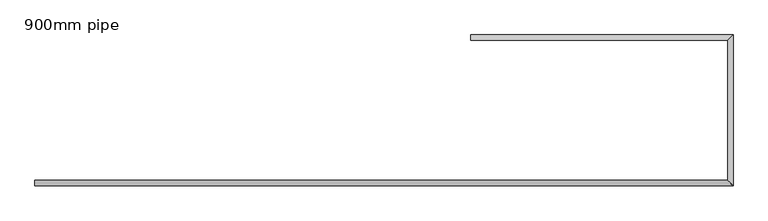
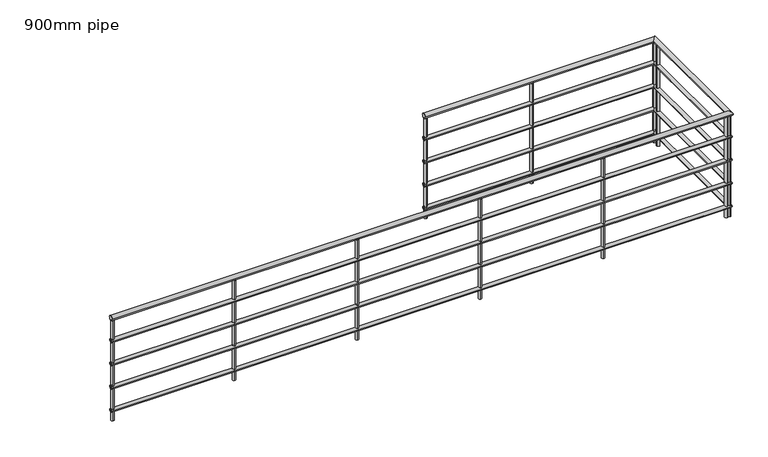
"""IFC4 building model written with IfcOpenShell, lengths in millimetres: railing geometry, 900mm pipe."""

from ifc_helpers import new_model, si_unit, point, frame, frame_2d, origin, origin_with_axes, place, context, project, spatial, circle_curve, ellipse_curve, trimmed, segment, composite_curve, outline, extrude, source, transform, mapped, element, save
from ifc_brep_helpers import plane_surface, cylinder_surface, advanced_brep


def railing_900mm_pipe_4d67e750(model_context):
    return source(origin(), model_context, "Body", "SolidModel", [
        advanced_brep(
        [(7214.840733, -2337.5565905, 880.0), (7214.840733, -2377.5565905, 880.0), (12219.840733, -2337.5565905, 880.0), (12259.840733, -2377.5565905, 880.0), (12219.840733, -1327.5565905, 880.0), (12259.840733, -1287.5565905, 880.0), (10364.840733, -1327.5565905, 880.0), (10364.840733, -1287.5565905, 880.0)],
        [
            (0, 1, circle_curve(frame((7214.840733, -2357.5565905, 880.0), z_axis=(-1.0, 0.0, 0.0), x_axis=(0.0, -1.0, 0.0)), 20.0)),
            (1, 0, circle_curve(frame((7214.840733, -2357.5565905, 880.0), z_axis=(-1.0, 0.0, 0.0), x_axis=(0.0, -1.0, 0.0)), 20.0)),
            (0, 2),
            (2, 3, ellipse_curve(frame((12239.840733, -2357.5565905, 880.0), z_axis=(-0.7071067811865498, -0.7071067811865451, 0.0), x_axis=(-0.7071067811865452, 0.7071067811865497, 0.0)), 28.2842712, 20.0)),
            (3, 1),
            (3, 2, ellipse_curve(frame((12239.840733, -2357.5565905, 880.0), z_axis=(-0.7071067811865498, -0.7071067811865451, 0.0), x_axis=(-0.7071067811865452, 0.7071067811865497, 0.0)), 28.2842712, 20.0)),
            (2, 4),
            (4, 5, ellipse_curve(frame((12239.840733, -1307.5565905, 880.0), z_axis=(0.7071067811865452, -0.7071067811865498, 0.0), x_axis=(-0.7071067811865498, -0.7071067811865452, 0.0)), 28.2842712, 20.0)),
            (5, 3),
            (5, 4, ellipse_curve(frame((12239.840733, -1307.5565905, 880.0), z_axis=(0.7071067811865452, -0.7071067811865498, 0.0), x_axis=(-0.7071067811865498, -0.7071067811865452, 0.0)), 28.2842712, 20.0)),
            (6, 7, circle_curve(frame((10364.840733, -1307.5565905, 880.0), z_axis=(-1.0, 0.0, 0.0), x_axis=(0.0, 1.0, 0.0)), 20.0)),
            (7, 6, circle_curve(frame((10364.840733, -1307.5565905, 880.0), z_axis=(-1.0, 0.0, 0.0), x_axis=(0.0, 1.0, 0.0)), 20.0)),
            (4, 6),
            (7, 5),
        ],
        [
            plane_surface(frame((7214.840733, -2357.5565905, 900.0), z_axis=(-1.0, 0.0, 0.0), x_axis=(0.0, 1.0, 0.0))),
            cylinder_surface(frame((7214.840733, -2357.5565905, 880.0), z_axis=(-1.0, 0.0, 0.0), x_axis=(0.0, -1.0, 0.0)), 20.0),
            cylinder_surface(frame((12239.840733, -2357.5565905, 880.0), z_axis=(0.0, -1.0, 0.0), x_axis=(1.0, 0.0, 0.0)), 20.0),
            plane_surface(frame((10364.840733, -1307.5565905, 900.0), z_axis=(-1.0, 0.0, 0.0), x_axis=(0.0, -1.0, 0.0))),
            cylinder_surface(frame((12239.840733, -1307.5565905, 880.0), z_axis=(1.0, 0.0, 0.0), x_axis=(0.0, 1.0, 0.0)), 20.0),
        ],
        [
            (0, [[1, 2]]),
            (1, [[-1, 3, 4, 5]]),
            (1, [[-2, -5, 6, -3]]),
            (2, [[-4, 7, 8, 9]]),
            (2, [[-6, -9, 10, -7]]),
            (3, [[11, 12]]),
            (4, [[-8, 13, -12, 14]]),
            (4, [[-10, -14, -11, -13]]),
        ],
    ),
        advanced_brep(
        [(7214.840733, -2342.5565905, 685.0), (7214.840733, -2372.5565905, 685.0), (12224.840733, -2342.5565905, 685.0), (12254.840733, -2372.5565905, 685.0), (12224.840733, -1322.5565905, 685.0), (12254.840733, -1292.5565905, 685.0), (10364.840733, -1322.5565905, 685.0), (10364.840733, -1292.5565905, 685.0)],
        [
            (0, 1, circle_curve(frame((7214.840733, -2357.5565905, 685.0), z_axis=(-1.0, 0.0, 0.0), x_axis=(0.0, -1.0, 0.0)), 15.0)),
            (1, 0, circle_curve(frame((7214.840733, -2357.5565905, 685.0), z_axis=(-1.0, 0.0, 0.0), x_axis=(0.0, -1.0, 0.0)), 15.0)),
            (0, 2),
            (2, 3, ellipse_curve(frame((12239.840733, -2357.5565905, 685.0), z_axis=(-0.7071067811865498, -0.7071067811865451, 0.0), x_axis=(-0.7071067811865452, 0.7071067811865497, 0.0)), 21.2132034, 15.0)),
            (3, 1),
            (3, 2, ellipse_curve(frame((12239.840733, -2357.5565905, 685.0), z_axis=(-0.7071067811865498, -0.7071067811865451, 0.0), x_axis=(-0.7071067811865452, 0.7071067811865497, 0.0)), 21.2132034, 15.0)),
            (2, 4),
            (4, 5, ellipse_curve(frame((12239.840733, -1307.5565905, 685.0), z_axis=(0.7071067811865452, -0.7071067811865498, 0.0), x_axis=(-0.7071067811865498, -0.7071067811865452, 0.0)), 21.2132034, 15.0)),
            (5, 3),
            (5, 4, ellipse_curve(frame((12239.840733, -1307.5565905, 685.0), z_axis=(0.7071067811865452, -0.7071067811865498, 0.0), x_axis=(-0.7071067811865498, -0.7071067811865452, 0.0)), 21.2132034, 15.0)),
            (6, 7, circle_curve(frame((10364.840733, -1307.5565905, 685.0), z_axis=(-1.0, 0.0, 0.0), x_axis=(0.0, 1.0, 0.0)), 15.0)),
            (7, 6, circle_curve(frame((10364.840733, -1307.5565905, 685.0), z_axis=(-1.0, 0.0, 0.0), x_axis=(0.0, 1.0, 0.0)), 15.0)),
            (4, 6),
            (7, 5),
        ],
        [
            plane_surface(frame((7214.840733, -2357.5565905, 700.0), z_axis=(-1.0, 0.0, 0.0), x_axis=(0.0, 1.0, 0.0))),
            cylinder_surface(frame((7214.840733, -2357.5565905, 685.0), z_axis=(-1.0, 0.0, 0.0), x_axis=(0.0, -1.0, 0.0)), 15.0),
            cylinder_surface(frame((12239.840733, -2357.5565905, 685.0), z_axis=(0.0, -1.0, 0.0), x_axis=(1.0, 0.0, 0.0)), 15.0),
            plane_surface(frame((10364.840733, -1307.5565905, 700.0), z_axis=(-1.0, 0.0, 0.0), x_axis=(0.0, -1.0, 0.0))),
            cylinder_surface(frame((12239.840733, -1307.5565905, 685.0), z_axis=(1.0, 0.0, 0.0), x_axis=(0.0, 1.0, 0.0)), 15.0),
        ],
        [
            (0, [[1, 2]]),
            (1, [[-1, 3, 4, 5]]),
            (1, [[-2, -5, 6, -3]]),
            (2, [[-4, 7, 8, 9]]),
            (2, [[-6, -9, 10, -7]]),
            (3, [[11, 12]]),
            (4, [[-8, 13, -12, 14]]),
            (4, [[-10, -14, -11, -13]]),
        ],
    ),
        advanced_brep(
        [(7214.840733, -2342.5565905, 485.0), (7214.840733, -2372.5565905, 485.0), (12224.840733, -2342.5565905, 485.0), (12254.840733, -2372.5565905, 485.0), (12224.840733, -1322.5565905, 485.0), (12254.840733, -1292.5565905, 485.0), (10364.840733, -1322.5565905, 485.0), (10364.840733, -1292.5565905, 485.0)],
        [
            (0, 1, circle_curve(frame((7214.840733, -2357.5565905, 485.0), z_axis=(-1.0, 0.0, 0.0), x_axis=(0.0, -1.0, 0.0)), 15.0)),
            (1, 0, circle_curve(frame((7214.840733, -2357.5565905, 485.0), z_axis=(-1.0, 0.0, 0.0), x_axis=(0.0, -1.0, 0.0)), 15.0)),
            (0, 2),
            (2, 3, ellipse_curve(frame((12239.840733, -2357.5565905, 485.0), z_axis=(-0.7071067811865498, -0.7071067811865451, 0.0), x_axis=(-0.7071067811865452, 0.7071067811865497, 0.0)), 21.2132034, 15.0)),
            (3, 1),
            (3, 2, ellipse_curve(frame((12239.840733, -2357.5565905, 485.0), z_axis=(-0.7071067811865498, -0.7071067811865451, 0.0), x_axis=(-0.7071067811865452, 0.7071067811865497, 0.0)), 21.2132034, 15.0)),
            (2, 4),
            (4, 5, ellipse_curve(frame((12239.840733, -1307.5565905, 485.0), z_axis=(0.7071067811865452, -0.7071067811865498, 0.0), x_axis=(-0.7071067811865498, -0.7071067811865452, 0.0)), 21.2132034, 15.0)),
            (5, 3),
            (5, 4, ellipse_curve(frame((12239.840733, -1307.5565905, 485.0), z_axis=(0.7071067811865452, -0.7071067811865498, 0.0), x_axis=(-0.7071067811865498, -0.7071067811865452, 0.0)), 21.2132034, 15.0)),
            (6, 7, circle_curve(frame((10364.840733, -1307.5565905, 485.0), z_axis=(-1.0, 0.0, 0.0), x_axis=(0.0, 1.0, 0.0)), 15.0)),
            (7, 6, circle_curve(frame((10364.840733, -1307.5565905, 485.0), z_axis=(-1.0, 0.0, 0.0), x_axis=(0.0, 1.0, 0.0)), 15.0)),
            (4, 6),
            (7, 5),
        ],
        [
            plane_surface(frame((7214.840733, -2357.5565905, 500.0), z_axis=(-1.0, 0.0, 0.0), x_axis=(0.0, 1.0, 0.0))),
            cylinder_surface(frame((7214.840733, -2357.5565905, 485.0), z_axis=(-1.0, 0.0, 0.0), x_axis=(0.0, -1.0, 0.0)), 15.0),
            cylinder_surface(frame((12239.840733, -2357.5565905, 485.0), z_axis=(0.0, -1.0, 0.0), x_axis=(1.0, 0.0, 0.0)), 15.0),
            plane_surface(frame((10364.840733, -1307.5565905, 500.0), z_axis=(-1.0, 0.0, 0.0), x_axis=(0.0, -1.0, 0.0))),
            cylinder_surface(frame((12239.840733, -1307.5565905, 485.0), z_axis=(1.0, 0.0, 0.0), x_axis=(0.0, 1.0, 0.0)), 15.0),
        ],
        [
            (0, [[1, 2]]),
            (1, [[-1, 3, 4, 5]]),
            (1, [[-2, -5, 6, -3]]),
            (2, [[-4, 7, 8, 9]]),
            (2, [[-6, -9, 10, -7]]),
            (3, [[11, 12]]),
            (4, [[-8, 13, -12, 14]]),
            (4, [[-10, -14, -11, -13]]),
        ],
    ),
        advanced_brep(
        [(7214.840733, -2342.5565905, 285.0), (7214.840733, -2372.5565905, 285.0), (12224.840733, -2342.5565905, 285.0), (12254.840733, -2372.5565905, 285.0), (12224.840733, -1322.5565905, 285.0), (12254.840733, -1292.5565905, 285.0), (10364.840733, -1322.5565905, 285.0), (10364.840733, -1292.5565905, 285.0)],
        [
            (0, 1, circle_curve(frame((7214.840733, -2357.5565905, 285.0), z_axis=(-1.0, 0.0, 0.0), x_axis=(0.0, -1.0, 0.0)), 15.0)),
            (1, 0, circle_curve(frame((7214.840733, -2357.5565905, 285.0), z_axis=(-1.0, 0.0, 0.0), x_axis=(0.0, -1.0, 0.0)), 15.0)),
            (0, 2),
            (2, 3, ellipse_curve(frame((12239.840733, -2357.5565905, 285.0), z_axis=(-0.7071067811865498, -0.7071067811865451, 0.0), x_axis=(-0.7071067811865452, 0.7071067811865497, 0.0)), 21.2132034, 15.0)),
            (3, 1),
            (3, 2, ellipse_curve(frame((12239.840733, -2357.5565905, 285.0), z_axis=(-0.7071067811865498, -0.7071067811865451, 0.0), x_axis=(-0.7071067811865452, 0.7071067811865497, 0.0)), 21.2132034, 15.0)),
            (2, 4),
            (4, 5, ellipse_curve(frame((12239.840733, -1307.5565905, 285.0), z_axis=(0.7071067811865452, -0.7071067811865498, 0.0), x_axis=(-0.7071067811865498, -0.7071067811865452, 0.0)), 21.2132034, 15.0)),
            (5, 3),
            (5, 4, ellipse_curve(frame((12239.840733, -1307.5565905, 285.0), z_axis=(0.7071067811865452, -0.7071067811865498, 0.0), x_axis=(-0.7071067811865498, -0.7071067811865452, 0.0)), 21.2132034, 15.0)),
            (6, 7, circle_curve(frame((10364.840733, -1307.5565905, 285.0), z_axis=(-1.0, 0.0, 0.0), x_axis=(0.0, 1.0, 0.0)), 15.0)),
            (7, 6, circle_curve(frame((10364.840733, -1307.5565905, 285.0), z_axis=(-1.0, 0.0, 0.0), x_axis=(0.0, 1.0, 0.0)), 15.0)),
            (4, 6),
            (7, 5),
        ],
        [
            plane_surface(frame((7214.840733, -2357.5565905, 300.0), z_axis=(-1.0, 0.0, 0.0), x_axis=(0.0, 1.0, 0.0))),
            cylinder_surface(frame((7214.840733, -2357.5565905, 285.0), z_axis=(-1.0, 0.0, 0.0), x_axis=(0.0, -1.0, 0.0)), 15.0),
            cylinder_surface(frame((12239.840733, -2357.5565905, 285.0), z_axis=(0.0, -1.0, 0.0), x_axis=(1.0, 0.0, 0.0)), 15.0),
            plane_surface(frame((10364.840733, -1307.5565905, 300.0), z_axis=(-1.0, 0.0, 0.0), x_axis=(0.0, -1.0, 0.0))),
            cylinder_surface(frame((12239.840733, -1307.5565905, 285.0), z_axis=(1.0, 0.0, 0.0), x_axis=(0.0, 1.0, 0.0)), 15.0),
        ],
        [
            (0, [[1, 2]]),
            (1, [[-1, 3, 4, 5]]),
            (1, [[-2, -5, 6, -3]]),
            (2, [[-4, 7, 8, 9]]),
            (2, [[-6, -9, 10, -7]]),
            (3, [[11, 12]]),
            (4, [[-8, 13, -12, 14]]),
            (4, [[-10, -14, -11, -13]]),
        ],
    ),
        advanced_brep(
        [(7214.840733, -2342.5565905, 85.0), (7214.840733, -2372.5565905, 85.0), (12224.840733, -2342.5565905, 85.0), (12254.840733, -2372.5565905, 85.0), (12224.840733, -1322.5565905, 85.0), (12254.840733, -1292.5565905, 85.0), (10364.840733, -1322.5565905, 85.0), (10364.840733, -1292.5565905, 85.0)],
        [
            (0, 1, circle_curve(frame((7214.840733, -2357.5565905, 85.0), z_axis=(-1.0, 0.0, 0.0), x_axis=(0.0, -1.0, 0.0)), 15.0)),
            (1, 0, circle_curve(frame((7214.840733, -2357.5565905, 85.0), z_axis=(-1.0, 0.0, 0.0), x_axis=(0.0, -1.0, 0.0)), 15.0)),
            (0, 2),
            (2, 3, ellipse_curve(frame((12239.840733, -2357.5565905, 85.0), z_axis=(-0.7071067811865498, -0.7071067811865451, 0.0), x_axis=(-0.7071067811865452, 0.7071067811865497, 0.0)), 21.2132034, 15.0)),
            (3, 1),
            (3, 2, ellipse_curve(frame((12239.840733, -2357.5565905, 85.0), z_axis=(-0.7071067811865498, -0.7071067811865451, 0.0), x_axis=(-0.7071067811865452, 0.7071067811865497, 0.0)), 21.2132034, 15.0)),
            (2, 4),
            (4, 5, ellipse_curve(frame((12239.840733, -1307.5565905, 85.0), z_axis=(0.7071067811865452, -0.7071067811865498, 0.0), x_axis=(-0.7071067811865498, -0.7071067811865452, 0.0)), 21.2132034, 15.0)),
            (5, 3),
            (5, 4, ellipse_curve(frame((12239.840733, -1307.5565905, 85.0), z_axis=(0.7071067811865452, -0.7071067811865498, 0.0), x_axis=(-0.7071067811865498, -0.7071067811865452, 0.0)), 21.2132034, 15.0)),
            (6, 7, circle_curve(frame((10364.840733, -1307.5565905, 85.0), z_axis=(-1.0, 0.0, 0.0), x_axis=(0.0, 1.0, 0.0)), 15.0)),
            (7, 6, circle_curve(frame((10364.840733, -1307.5565905, 85.0), z_axis=(-1.0, 0.0, 0.0), x_axis=(0.0, 1.0, 0.0)), 15.0)),
            (4, 6),
            (7, 5),
        ],
        [
            plane_surface(frame((7214.840733, -2357.5565905, 100.0), z_axis=(-1.0, 0.0, 0.0), x_axis=(0.0, 1.0, 0.0))),
            cylinder_surface(frame((7214.840733, -2357.5565905, 85.0), z_axis=(-1.0, 0.0, 0.0), x_axis=(0.0, -1.0, 0.0)), 15.0),
            cylinder_surface(frame((12239.840733, -2357.5565905, 85.0), z_axis=(0.0, -1.0, 0.0), x_axis=(1.0, 0.0, 0.0)), 15.0),
            plane_surface(frame((10364.840733, -1307.5565905, 100.0), z_axis=(-1.0, 0.0, 0.0), x_axis=(0.0, -1.0, 0.0))),
            cylinder_surface(frame((12239.840733, -1307.5565905, 85.0), z_axis=(1.0, 0.0, 0.0), x_axis=(0.0, 1.0, 0.0)), 15.0),
        ],
        [
            (0, [[1, 2]]),
            (1, [[-1, 3, 4, 5]]),
            (1, [[-2, -5, 6, -3]]),
            (2, [[-4, 7, 8, 9]]),
            (2, [[-6, -9, 10, -7]]),
            (3, [[11, 12]]),
            (4, [[-8, 13, -12, 14]]),
            (4, [[-10, -14, -11, -13]]),
        ],
    ),
        extrude(outline(composite_curve([segment(trimmed(circle_curve(frame_2d((11239.840733, -1307.5565905)), 12.5), [point((11239.840733, -1320.0565905))], [point((11239.840733, -1295.0565905))], False, "CARTESIAN"), True, "CONTINUOUS"), segment(trimmed(circle_curve(frame_2d((11239.840733, -1307.5565905)), 12.5), [point((11239.840733, -1295.0565905))], [point((11239.840733, -1320.0565905))], False, "CARTESIAN"), True, "CONTINUOUS")], self_intersect=False)), origin_with_axes(), (0.0, 0.0, 1.0), 860.0),
        extrude(outline(composite_curve([segment(trimmed(circle_curve(frame_2d((12239.840733, -1357.5565905)), 12.5), [point((12227.340733, -1357.5565905))], [point((12252.340733, -1357.5565905))], False, "CARTESIAN"), True, "CONTINUOUS"), segment(trimmed(circle_curve(frame_2d((12239.840733, -1357.5565905)), 12.5), [point((12252.340733, -1357.5565905))], [point((12227.340733, -1357.5565905))], False, "CARTESIAN"), True, "CONTINUOUS")], self_intersect=False)), origin_with_axes(), (0.0, 0.0, 1.0), 860.0),
        extrude(outline(composite_curve([segment(trimmed(circle_curve(frame_2d((12214.840733, -2357.5565905)), 12.5), [point((12214.840733, -2345.0565905))], [point((12214.840733, -2370.0565905))], False, "CARTESIAN"), True, "CONTINUOUS"), segment(trimmed(circle_curve(frame_2d((12214.840733, -2357.5565905)), 12.5), [point((12214.840733, -2370.0565905))], [point((12214.840733, -2345.0565905))], False, "CARTESIAN"), True, "CONTINUOUS")], self_intersect=False)), origin_with_axes(), (0.0, 0.0, 1.0), 860.0),
        extrude(outline(composite_curve([segment(trimmed(circle_curve(frame_2d((11214.840733, -2357.5565905)), 12.5), [point((11214.840733, -2345.0565905))], [point((11214.840733, -2370.0565905))], False, "CARTESIAN"), True, "CONTINUOUS"), segment(trimmed(circle_curve(frame_2d((11214.840733, -2357.5565905)), 12.5), [point((11214.840733, -2370.0565905))], [point((11214.840733, -2345.0565905))], False, "CARTESIAN"), True, "CONTINUOUS")], self_intersect=False)), origin_with_axes(), (0.0, 0.0, 1.0), 860.0),
        extrude(outline(composite_curve([segment(trimmed(circle_curve(frame_2d((10214.840733, -2357.5565905)), 12.5), [point((10214.840733, -2345.0565905))], [point((10214.840733, -2370.0565905))], False, "CARTESIAN"), True, "CONTINUOUS"), segment(trimmed(circle_curve(frame_2d((10214.840733, -2357.5565905)), 12.5), [point((10214.840733, -2370.0565905))], [point((10214.840733, -2345.0565905))], False, "CARTESIAN"), True, "CONTINUOUS")], self_intersect=False)), origin_with_axes(), (0.0, 0.0, 1.0), 860.0),
        extrude(outline(composite_curve([segment(trimmed(circle_curve(frame_2d((9214.840733, -2357.5565905)), 12.5), [point((9214.840733, -2345.0565905))], [point((9214.840733, -2370.0565905))], False, "CARTESIAN"), True, "CONTINUOUS"), segment(trimmed(circle_curve(frame_2d((9214.840733, -2357.5565905)), 12.5), [point((9214.840733, -2370.0565905))], [point((9214.840733, -2345.0565905))], False, "CARTESIAN"), True, "CONTINUOUS")], self_intersect=False)), origin_with_axes(), (0.0, 0.0, 1.0), 860.0),
        extrude(outline(composite_curve([segment(trimmed(circle_curve(frame_2d((8214.840733, -2357.5565905)), 12.5), [point((8214.840733, -2345.0565905))], [point((8214.840733, -2370.0565905))], False, "CARTESIAN"), True, "CONTINUOUS"), segment(trimmed(circle_curve(frame_2d((8214.840733, -2357.5565905)), 12.5), [point((8214.840733, -2370.0565905))], [point((8214.840733, -2345.0565905))], False, "CARTESIAN"), True, "CONTINUOUS")], self_intersect=False)), origin_with_axes(), (0.0, 0.0, 1.0), 860.0),
        extrude(outline(composite_curve([segment(trimmed(circle_curve(frame_2d((12239.840733, -1307.5565905)), 12.5), [point((12227.340733, -1307.5565905))], [point((12252.340733, -1307.5565905))], False, "CARTESIAN"), True, "CONTINUOUS"), segment(trimmed(circle_curve(frame_2d((12239.840733, -1307.5565905)), 12.5), [point((12252.340733, -1307.5565905))], [point((12227.340733, -1307.5565905))], False, "CARTESIAN"), True, "CONTINUOUS")], self_intersect=False)), origin_with_axes(), (0.0, 0.0, 1.0), 860.0),
        extrude(outline(composite_curve([segment(trimmed(circle_curve(frame_2d((12239.840733, -2357.5565905)), 12.5), [point((12239.840733, -2345.0565905))], [point((12239.840733, -2370.0565905))], False, "CARTESIAN"), True, "CONTINUOUS"), segment(trimmed(circle_curve(frame_2d((12239.840733, -2357.5565905)), 12.5), [point((12239.840733, -2370.0565905))], [point((12239.840733, -2345.0565905))], False, "CARTESIAN"), True, "CONTINUOUS")], self_intersect=False)), origin_with_axes(), (0.0, 0.0, 1.0), 860.0),
        extrude(outline(composite_curve([segment(trimmed(circle_curve(frame_2d((10377.340733, -1307.5565905)), 12.5), [point((10377.340733, -1320.0565905))], [point((10377.340733, -1295.0565905))], False, "CARTESIAN"), True, "CONTINUOUS"), segment(trimmed(circle_curve(frame_2d((10377.340733, -1307.5565905)), 12.5), [point((10377.340733, -1295.0565905))], [point((10377.340733, -1320.0565905))], False, "CARTESIAN"), True, "CONTINUOUS")], self_intersect=False)), origin_with_axes(), (0.0, 0.0, 1.0), 860.0),
        extrude(outline(composite_curve([segment(trimmed(circle_curve(frame_2d((7227.340733, -2357.5565905)), 12.5), [point((7227.340733, -2345.0565905))], [point((7227.340733, -2370.0565905))], False, "CARTESIAN"), True, "CONTINUOUS"), segment(trimmed(circle_curve(frame_2d((7227.340733, -2357.5565905)), 12.5), [point((7227.340733, -2370.0565905))], [point((7227.340733, -2345.0565905))], False, "CARTESIAN"), True, "CONTINUOUS")], self_intersect=False)), origin_with_axes(), (0.0, 0.0, 1.0), 860.0),
    ])


if __name__ == "__main__":
    model = new_model("IFC4")
    model_context = context("Model", 3, world=origin())
    ifc_project = project(units=[si_unit("LENGTHUNIT", "METRE", prefix="MILLI")], contexts=[model_context])
    site = spatial("IfcSite", under=ifc_project)
    building = spatial("IfcBuilding", under=site)
    placement = place(None, origin())
    railing_900mm_pipe_shape = railing_900mm_pipe_4d67e750(model_context)
    element("IfcRailing", 1, ObjectType="900mm pipe", at=placement, inside=building, context=model_context, shape_type="MappedRepresentation", body=[
        mapped(railing_900mm_pipe_shape, transform((0.0, 0.0, 0.0), x_axis=(1.0, 0.0, 0.0), y_axis=(0.0, 1.0, 0.0), z_axis=(0.0, 0.0, 1.0))),
    ])
    save(model, "model.ifc")
